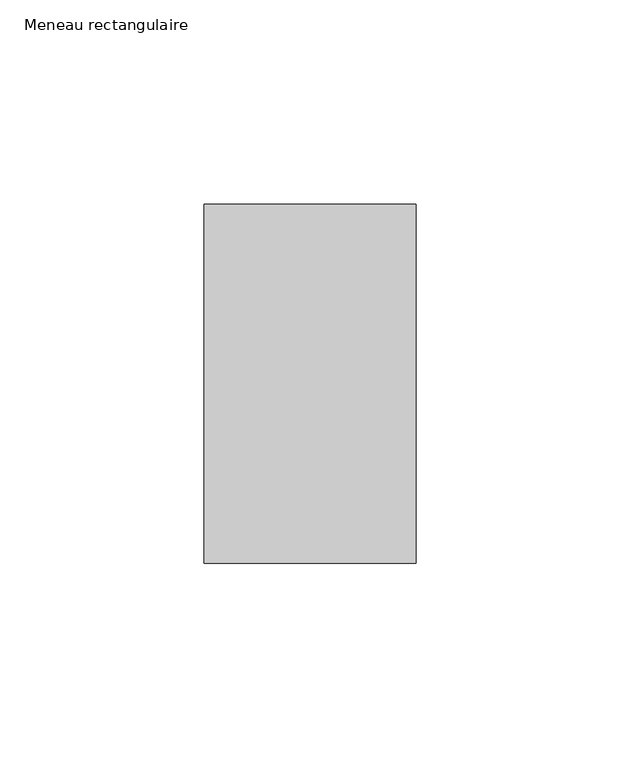
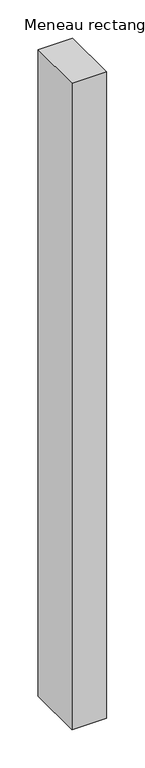
"""IFC4 building model written with IfcOpenShell, lengths in millimetres: member geometry, Meneau rectangulaire."""

from ifc_helpers import new_model, si_unit, frame, origin, place, context, project, spatial, polyline, outline, extrude, source, transform, mapped, element, save


def meneau_rectangulaire_f9af1481(model_context):
    return source(origin(), model_context, "Body", "SweptSolid", [
        extrude(outline(polyline([(-52.0, 44.0), (0.0, 44.0), (0.0, -44.0), (-52.0, -44.0), (-52.0, 44.0)])), frame((0.0, 0.0, -1028.3830686), z_axis=(0.0, 0.0, 1.0), x_axis=(1.0, 0.0, 0.0)), (0.0, 0.0, 1.0), 1028.3830686),
    ])


if __name__ == "__main__":
    model = new_model("IFC4")
    model_context = context("Model", 3, world=origin())
    ifc_project = project(units=[si_unit("LENGTHUNIT", "METRE", prefix="MILLI")], contexts=[model_context])
    site = spatial("IfcSite", under=ifc_project)
    building = spatial("IfcBuilding", under=site)
    placement = place(None, origin())
    meneau_rectangulaire_shape = meneau_rectangulaire_f9af1481(model_context)
    element("IfcMember", 1, ObjectType="Meneau rectangulaire", at=placement, inside=building, context=model_context, shape_type="MappedRepresentation", body=[
        mapped(meneau_rectangulaire_shape, transform((0.0, 0.0, 0.0), x_axis=(1.0, 0.0, 0.0), y_axis=(0.0, 1.0, 0.0), z_axis=(0.0, 0.0, 1.0))),
    ])
    save(model, "model.ifc")
